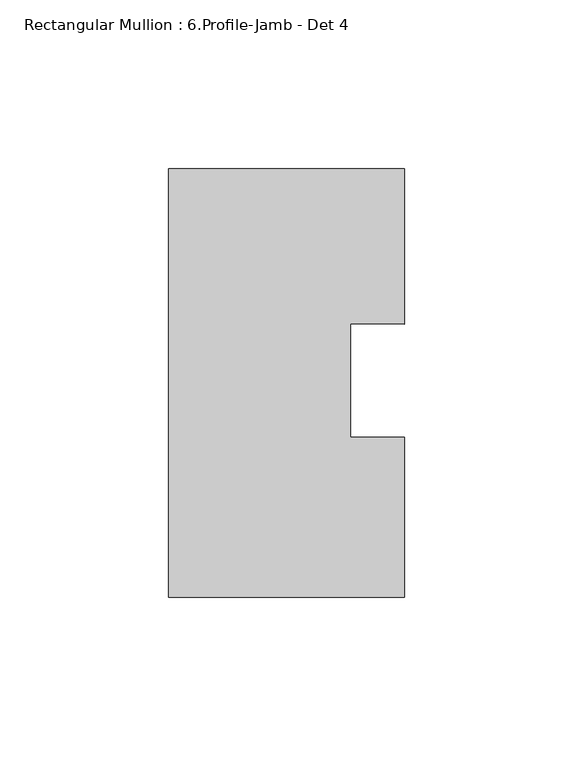
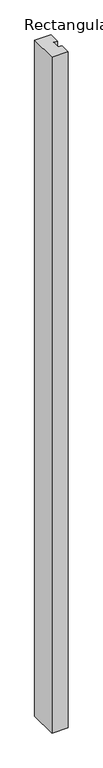
"""IFC4 building model written with IfcOpenShell, lengths in millimetres: member geometry, Rectangular Mullion : 6.Profile-Jamb - Det 4."""

from ifc_helpers import new_model, si_unit, frame, origin, place, context, project, spatial, polyline, outline, extrude, source, transform, mapped, element, save


def rectangular_mullion_6_profile_jamb_det_4_ec7c153b(model_context):
    return source(origin(), model_context, "Body", "SweptSolid", [
        extrude(outline(polyline([(-69.8515795, -63.5), (-69.8515795, 63.5), (0.0, 63.5), (0.0, 17.3906629), (-15.875, 17.5847121), (-15.875, -16.0406112), (0.0, -16.0406112), (0.0, -63.5), (-69.8515795, -63.5)])), frame((0.0, 0.0, -3048.0), z_axis=(0.0, 0.0, 1.0), x_axis=(1.0, 0.0, 0.0)), (0.0, 0.0, 1.0), 3048.0),
    ])


if __name__ == "__main__":
    model = new_model("IFC4")
    model_context = context("Model", 3, world=origin())
    ifc_project = project(units=[si_unit("LENGTHUNIT", "METRE", prefix="MILLI")], contexts=[model_context])
    site = spatial("IfcSite", under=ifc_project)
    building = spatial("IfcBuilding", under=site)
    placement = place(None, origin())
    rectangular_mullion_6_profile_jamb_det_4_shape = rectangular_mullion_6_profile_jamb_det_4_ec7c153b(model_context)
    element("IfcMember", 1, ObjectType="Rectangular Mullion : 6.Profile-Jamb - Det 4", at=placement, inside=building, context=model_context, shape_type="MappedRepresentation", body=[
        mapped(rectangular_mullion_6_profile_jamb_det_4_shape, transform((0.0, 0.0, 0.0), x_axis=(1.0, 0.0, 0.0), y_axis=(0.0, 1.0, 0.0), z_axis=(0.0, 0.0, 1.0))),
    ])
    save(model, "model.ifc")
